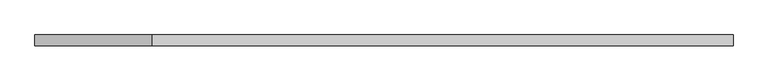
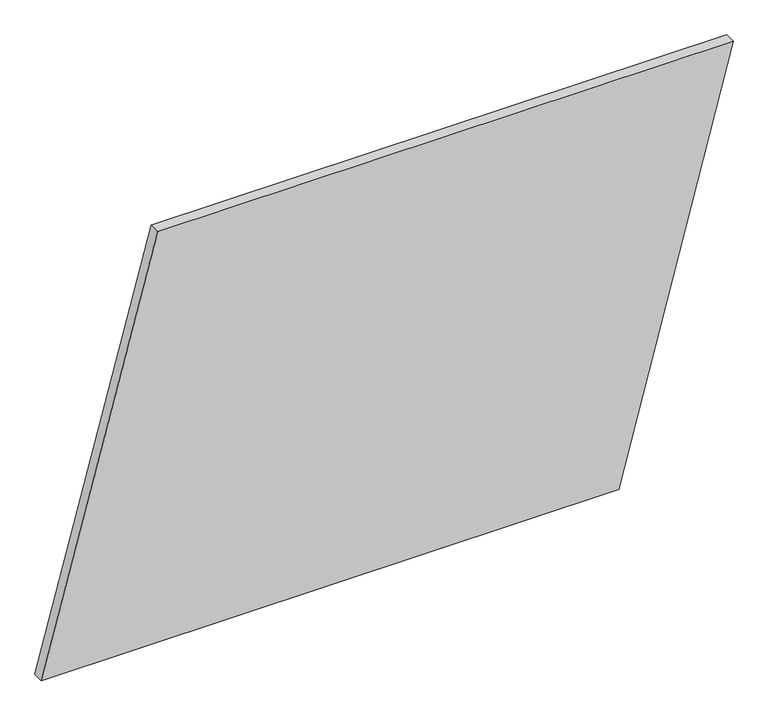
"""IFC4 building model written with IfcOpenShell, lengths in millimetres: plate geometry."""

from ifc_helpers import new_model, si_unit, frame, origin, place, context, project, spatial, polyline, outline, extrude, source, transform, mapped, element, save


def plate_3175afb3(model_context):
    return source(origin(), model_context, "Body", "SweptSolid", [
        extrude(outline(polyline([(0.0, -796.4310193), (0.0, 533.5143427), (1000.0, 796.4310193), (1000.0, -528.4818268), (0.0, -796.4310193)])), frame((0.0, 24.5, 0.0), z_axis=(0.0, 1.0, 0.0), x_axis=(0.0, 0.0, 1.0)), (0.0, 0.0, 1.0), 25.0),
    ])


if __name__ == "__main__":
    model = new_model("IFC4")
    model_context = context("Model", 3, world=origin())
    ifc_project = project(units=[si_unit("LENGTHUNIT", "METRE", prefix="MILLI")], contexts=[model_context])
    site = spatial("IfcSite", under=ifc_project)
    building = spatial("IfcBuilding", under=site)
    placement = place(None, origin())
    plate_shape = plate_3175afb3(model_context)
    element("IfcPlate", 1, at=placement, inside=building, context=model_context, shape_type="MappedRepresentation", body=[
        mapped(plate_shape, transform((0.0, 0.0, 0.0), x_axis=(1.0, 0.0, 0.0), y_axis=(0.0, 1.0, 0.0), z_axis=(0.0, 0.0, 1.0))),
    ])
    save(model, "model.ifc")
